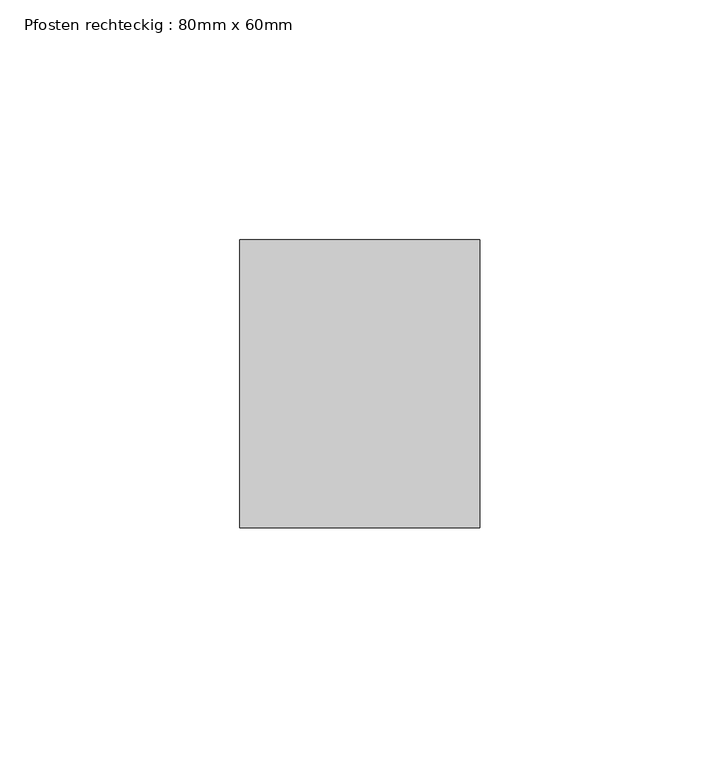
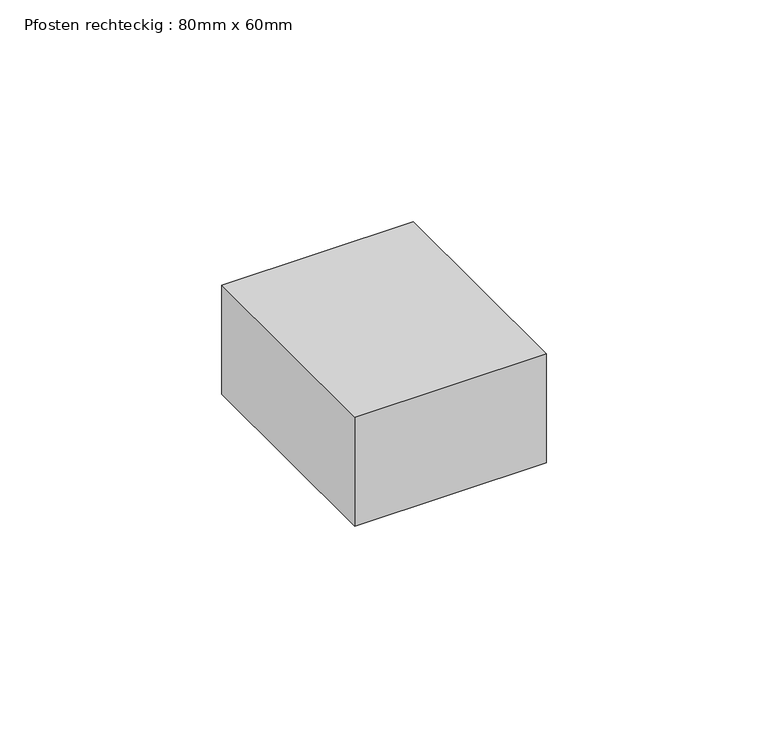
"""IFC4 building model written with IfcOpenShell, lengths in millimetres: member geometry, Pfosten rechteckig : 80mm x 60mm."""

from ifc_helpers import new_model, si_unit, frame, origin, place, context, project, spatial, polyline, outline, extrude, source, transform, mapped, element, save


def pfosten_rechteckig_80mm_x_60mm_73c93a91(model_context):
    return source(origin(), model_context, "Body", "SweptSolid", [
        extrude(outline(polyline([(0.0, 30.0), (0.0, -30.0), (-50.0, -30.0), (-50.0, 30.0), (0.0, 30.0)])), frame((0.0, 0.0, -30.0), z_axis=(0.0, 0.0, 1.0), x_axis=(1.0, 0.0, 0.0)), (0.0, 0.0, 1.0), 30.0),
    ])


if __name__ == "__main__":
    model = new_model("IFC4")
    model_context = context("Model", 3, world=origin())
    ifc_project = project(units=[si_unit("LENGTHUNIT", "METRE", prefix="MILLI")], contexts=[model_context])
    site = spatial("IfcSite", under=ifc_project)
    building = spatial("IfcBuilding", under=site)
    placement = place(None, origin())
    pfosten_rechteckig_80mm_x_60mm_shape = pfosten_rechteckig_80mm_x_60mm_73c93a91(model_context)
    element("IfcMember", 1, ObjectType="Pfosten rechteckig : 80mm x 60mm", at=placement, inside=building, context=model_context, shape_type="MappedRepresentation", body=[
        mapped(pfosten_rechteckig_80mm_x_60mm_shape, transform((0.0, 0.0, 0.0), x_axis=(1.0, 0.0, 0.0), y_axis=(0.0, 1.0, 0.0), z_axis=(0.0, 0.0, 1.0))),
    ])
    save(model, "model.ifc")
